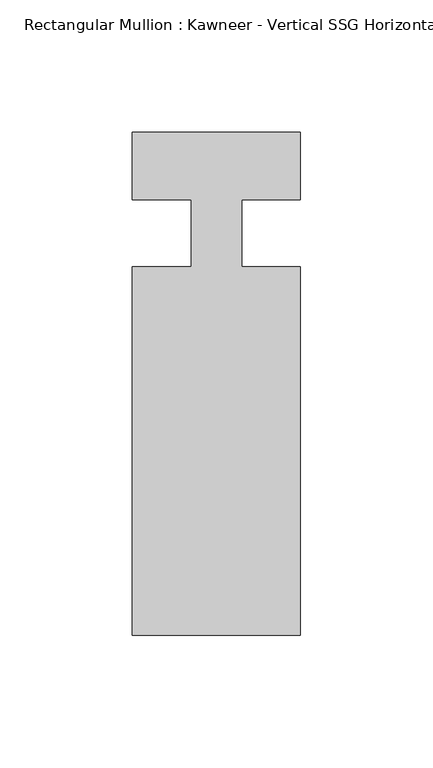
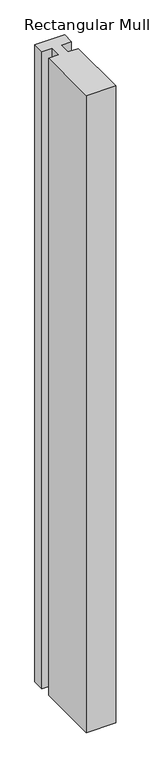
"""IFC4 building model written with IfcOpenShell, lengths in millimetres: member geometry."""

from ifc_helpers import new_model, si_unit, frame, origin, place, context, project, spatial, polyline, outline, extrude, source, transform, mapped, element, save


def member_7fd91d4d(model_context):
    return source(origin(), model_context, "Body", "SweptSolid", [
        extrude(outline(polyline([(-9.525, 12.7), (-31.75, 12.7), (-31.75, 38.1), (31.75, 38.1), (31.75, 12.7), (9.5251132, 12.7), (9.5251132, -12.7), (31.75, -12.7), (31.75, -151.892), (-31.75, -151.892), (-31.75, -12.7), (-9.525, -12.7), (-9.525, 12.7)])), frame((0.0, 0.0, -1443.5556369), z_axis=(0.0, 0.0, 1.0), x_axis=(1.0, 0.0, 0.0)), (0.0, 0.0, 1.0), 1443.5556369),
    ])


if __name__ == "__main__":
    model = new_model("IFC4")
    model_context = context("Model", 3, world=origin())
    ifc_project = project(units=[si_unit("LENGTHUNIT", "METRE", prefix="MILLI")], contexts=[model_context])
    site = spatial("IfcSite", under=ifc_project)
    building = spatial("IfcBuilding", under=site)
    placement = place(None, origin())
    member_shape = member_7fd91d4d(model_context)
    element("IfcMember", 1, ObjectType="Rectangular Mullion : Kawneer - Vertical SSG Horizontal Mullion - 7 1/2\"", at=placement, inside=building, context=model_context, shape_type="MappedRepresentation", body=[
        mapped(member_shape, transform((0.0, 0.0, 0.0), x_axis=(1.0, 0.0, 0.0), y_axis=(0.0, 1.0, 0.0), z_axis=(0.0, 0.0, 1.0))),
    ])
    save(model, "model.ifc")
